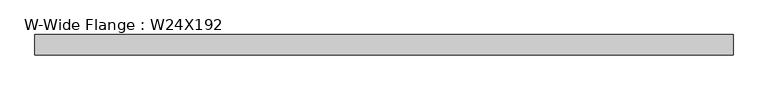
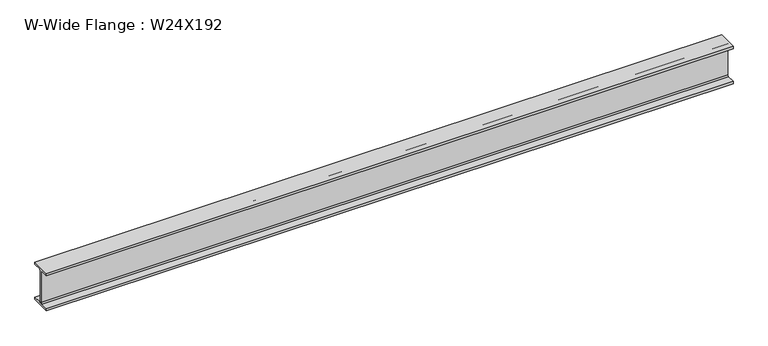
"""IFC4 building model written with IfcOpenShell, lengths in millimetres: beam geometry, W-Wide Flange : W24X192."""

import ifcopenshell
import ifcopenshell.guid

model = None  # the IFC model being written
_history = None  # IfcOwnerHistory: only IFC2X3 demands one
_inside = {}  # id of a spatial element -> (the spatial element, [elements in it])
_under = {}  # id of a project, library or spatial element -> (it, [spatial elements below it])
_declared = {}  # id of a project -> (the project, [libraries it declares])
_typed = {}  # id of a type object -> (the type object, [elements of that type])
_made_of = {}  # id of a material, layer set ... -> (it, [elements and type objects made of it])


def new_model(schema):
    """Start an empty IFC model of exactly this schema.

    Asked for "IFC4X3", IfcOpenShell would pick the latest addendum, in which some entities
    have other attributes; the version numbers below select the first issue.
    IFC2X3 requires an IfcOwnerHistory on every rooted entity: one is made here for all.
    """
    global model, _history
    if schema == "IFC4X3":
        model = ifcopenshell.file(schema_version=(4, 3, 0, 0))
    else:
        model = ifcopenshell.file(schema=schema)
    _inside.clear()
    _under.clear()
    _declared.clear()
    _typed.clear()
    _made_of.clear()
    _history = None
    if model.schema == "IFC2X3":
        org = make("IfcOrganization", Name="unknown")
        user = make(
            "IfcPersonAndOrganization",
            ThePerson=make("IfcPerson", FamilyName="unknown"),
            TheOrganization=org,
        )
        app = make(
            "IfcApplication",
            ApplicationDeveloper=org,
            Version="unknown",
            ApplicationFullName="unknown",
            ApplicationIdentifier="unknown",
        )
        _history = make(
            "IfcOwnerHistory",
            OwningUser=user,
            OwningApplication=app,
            ChangeAction="ADDED",
            CreationDate=0,
        )
    return model


def make(cls, **values):
    """One entity of the class cls with the attributes given. An attribute that is None is left unset."""
    return model.create_entity(
        cls, **{name: value for name, value in values.items() if value is not None}
    )


def rooted(cls, **values):
    """An entity with a GlobalId (a new one), such as an element, a storey or a relation."""
    return make(cls, GlobalId=ifcopenshell.guid.new(), OwnerHistory=_history, **values)


def si_unit(unit_type, name, prefix=None):
    """IfcSIUnit, for example si_unit("LENGTHUNIT", "METRE", prefix="MILLI")."""
    return make("IfcSIUnit", UnitType=unit_type, Prefix=prefix, Name=name)


def assignment(units):
    """IfcUnitAssignment: the units of a project."""
    return None if units is None else make("IfcUnitAssignment", Units=units)


def point(xyz):
    """IfcCartesianPoint."""
    return None if xyz is None else make("IfcCartesianPoint", Coordinates=xyz)


def direction(xyz):
    """IfcDirection."""
    return None if xyz is None else make("IfcDirection", DirectionRatios=xyz)


def frame(location, z_axis=None, x_axis=None):
    """IfcAxis2Placement3D, a coordinate frame: its origin and axes. An axis left out is left unset."""
    return make(
        "IfcAxis2Placement3D",
        Location=point(location),
        Axis=direction(z_axis),
        RefDirection=direction(x_axis),
    )


def frame_2d(location, x_axis=None):
    """IfcAxis2Placement2D, a coordinate frame in the plane: its origin and x axis."""
    return make(
        "IfcAxis2Placement2D", Location=point(location), RefDirection=direction(x_axis)
    )


def origin():
    """The frame at (0, 0, 0) with its axes left unset."""
    return frame((0.0, 0.0, 0.0))


def place(relative_to, where):
    """IfcLocalPlacement: puts the frame where relative to a parent placement (None: the world)."""
    return make(
        "IfcLocalPlacement", PlacementRelTo=relative_to, RelativePlacement=where
    )


def context(
    kind, dimensions, precision=None, world=None, true_north=None, identifier=None
):
    """IfcGeometricRepresentationContext, for example the 3D "Model" context."""
    return make(
        "IfcGeometricRepresentationContext",
        ContextIdentifier=identifier,
        ContextType=kind,
        CoordinateSpaceDimension=dimensions,
        Precision=precision,
        WorldCoordinateSystem=world,
        TrueNorth=true_north,
    )


def project(units=None, contexts=None):
    """IfcProject with its units and contexts."""
    return rooted(
        "IfcProject",
        Name="project",
        RepresentationContexts=contexts,
        UnitsInContext=assignment(units),
    )


def spatial(cls, under=None, at=None, **own):
    """A site, building, storey or space (cls), placed at a placement, below another one or the project."""
    s = rooted(cls, ObjectPlacement=at, **own)
    if under is not None:
        _under.setdefault(under.id(), (under, []))[1].append(s)
    return s


def polyline(points):
    """IfcPolyline through the points."""
    return make("IfcPolyline", Points=[point(p) for p in points])


def circle_curve(where, radius):
    """IfcCircle in the frame where."""
    return make("IfcCircle", Position=where, Radius=radius)


def trimmed(basis, trim1, trim2, sense, master):
    """IfcTrimmedCurve: the piece of a basis curve between two trims."""
    return make(
        "IfcTrimmedCurve",
        BasisCurve=basis,
        Trim1=trim1,
        Trim2=trim2,
        SenseAgreement=sense,
        MasterRepresentation=master,
    )


def segment(curve, same_sense, transition):
    """IfcCompositeCurveSegment."""
    return make(
        "IfcCompositeCurveSegment",
        Transition=transition,
        SameSense=same_sense,
        ParentCurve=curve,
    )


def composite_curve(segments, self_intersect=None):
    """IfcCompositeCurve: segments joined end to end."""
    return make("IfcCompositeCurve", Segments=segments, SelfIntersect=self_intersect)


def outline(outer, holes=None, kind="AREA"):
    """IfcArbitraryClosedProfileDef: a profile drawn as a closed curve; with holes, ...WithVoids."""
    if holes is None:
        return make("IfcArbitraryClosedProfileDef", ProfileType=kind, OuterCurve=outer)
    return make(
        "IfcArbitraryProfileDefWithVoids",
        ProfileType=kind,
        OuterCurve=outer,
        InnerCurves=holes,
    )


def extrude(swept, where, along, depth):
    """IfcExtrudedAreaSolid: the profile swept, set in the frame where, extruded along a direction by depth."""
    return make(
        "IfcExtrudedAreaSolid",
        SweptArea=swept,
        Position=where,
        ExtrudedDirection=direction(along),
        Depth=depth,
    )


def shape(context_of_items, identifier, shape_type, items):
    """IfcShapeRepresentation: the items that make up one representation, for example the "Body"."""
    return make(
        "IfcShapeRepresentation",
        ContextOfItems=context_of_items,
        RepresentationIdentifier=identifier,
        RepresentationType=shape_type,
        Items=items,
    )


def source(mapping_origin, context_of_items, identifier, shape_type, items):
    """IfcRepresentationMap: a shape defined once, which mapped items show again and again."""
    return make(
        "IfcRepresentationMap",
        MappingOrigin=mapping_origin,
        MappedRepresentation=shape(context_of_items, identifier, shape_type, items),
    )


def transform(
    local_origin,
    x_axis=None,
    y_axis=None,
    z_axis=None,
    scale=None,
    scale2=None,
    scale3=None,
    uniform=True,
):
    """IfcCartesianTransformationOperator3D, or its non-uniform kind. x_axis, y_axis, z_axis: its Axis1, 2, 3."""
    if uniform:
        return make(
            "IfcCartesianTransformationOperator3D",
            Axis1=direction(x_axis),
            Axis2=direction(y_axis),
            LocalOrigin=point(local_origin),
            Scale=scale,
            Axis3=direction(z_axis),
        )
    return make(
        "IfcCartesianTransformationOperator3DnonUniform",
        Axis1=direction(x_axis),
        Axis2=direction(y_axis),
        LocalOrigin=point(local_origin),
        Scale=scale,
        Axis3=direction(z_axis),
        Scale2=scale2,
        Scale3=scale3,
    )


def mapped(mapping_source, mapping_target):
    """IfcMappedItem: shows the shape of a source again, moved by a transform."""
    return make(
        "IfcMappedItem", MappingSource=mapping_source, MappingTarget=mapping_target
    )


def made_of(thing, what):
    """Note that an element or type object is made of a material, layer set ...; save() writes the relation."""
    if what is not None:
        _made_of.setdefault(what.id(), (what, []))[1].append(thing)
    return thing


def element(
    cls,
    number,
    at=None,
    inside=None,
    cuts=None,
    type_object=None,
    material=None,
    context=None,
    identifier="Body",
    shape_type=None,
    held_by="IfcProductDefinitionShape",
    body=None,
    shapes=None,
    **own,
):
    """One element of the class cls, such as IfcWall. Its Tag is "e" and its number.

    at: its placement. inside: the storey or other place that contains it. cuts: it is an
    opening in that element (IfcRelVoidsElement). A single representation is given by context,
    identifier, shape_type and body (its items); several are given by shapes. held_by: the class
    of the entity that holds the representations. save() writes the other relations.
    """
    e = rooted(cls, Tag="e%d" % number, ObjectPlacement=at, **own)
    if body is not None:
        shapes = [shape(context, identifier, shape_type, body)]
    if shapes is not None:
        e.Representation = make(held_by, Representations=shapes)
    if inside is not None:
        _inside.setdefault(inside.id(), (inside, []))[1].append(e)
    if cuts is not None:
        rooted(
            "IfcRelVoidsElement", RelatingBuildingElement=cuts, RelatedOpeningElement=e
        )
    if type_object is not None:
        _typed.setdefault(type_object.id(), (type_object, []))[1].append(e)
    return made_of(e, material)


def aggregate(whole, parts):
    """IfcRelAggregates: a whole, such as a stair, and the parts it consists of."""
    return rooted("IfcRelAggregates", RelatingObject=whole, RelatedObjects=parts)


def save(model, path):
    """Write the relations noted so far, then the file.

    IfcRelAggregates (storeys below a building ...), IfcRelContainedInSpatialStructure (elements
    in a storey), IfcRelDefinesByType, IfcRelAssociatesMaterial and IfcRelDeclares: one each for
    every whole, place, type object, material and project.
    """
    for whole, parts in _under.values():
        aggregate(whole, parts)
    for where, things in _inside.values():
        rooted(
            "IfcRelContainedInSpatialStructure",
            RelatedElements=things,
            RelatingStructure=where,
        )
    for kind, things in _typed.values():
        rooted("IfcRelDefinesByType", RelatedObjects=things, RelatingType=kind)
    for what, things in _made_of.values():
        rooted("IfcRelAssociatesMaterial", RelatedObjects=things, RelatingMaterial=what)
    for by, libraries in _declared.values():
        rooted("IfcRelDeclares", RelatingContext=by, RelatedDefinitions=libraries)
    model.write(path)


def w_wide_flange_w24x192_c7f0a0e3(model_context):
    return source(origin(), model_context, "Body", "SweptSolid", [
        extrude(outline(composite_curve([segment(polyline([(165.1, -286.766), (165.1, -323.85), (-165.1, -323.85), (-165.1, -286.766), (-33.528, -286.766)]), True, "CONTINUOUS"), segment(trimmed(circle_curve(frame_2d((-33.528, -263.525)), 23.241), [point((-33.528, -286.766))], [point((-10.287, -263.525))], True, "CARTESIAN"), True, "CONTINUOUS"), segment(polyline([(-10.287, -263.525), (-10.287, 263.525)]), True, "CONTINUOUS"), segment(trimmed(circle_curve(frame_2d((-33.528, 263.525)), 23.241), [point((-10.287, 263.525))], [point((-33.528, 286.766))], True, "CARTESIAN"), True, "CONTINUOUS"), segment(polyline([(-33.528, 286.766), (-165.1, 286.766), (-165.1, 323.85), (165.1, 323.85), (165.1, 286.766), (33.528, 286.766)]), True, "CONTINUOUS"), segment(trimmed(circle_curve(frame_2d((33.528, 263.525)), 23.241), [point((33.528, 286.766))], [point((10.287, 263.525))], True, "CARTESIAN"), True, "CONTINUOUS"), segment(polyline([(10.287, 263.525), (10.287, -263.525)]), True, "CONTINUOUS"), segment(trimmed(circle_curve(frame_2d((33.528, -263.525)), 23.241), [point((10.287, -263.525))], [point((33.528, -286.766))], True, "CARTESIAN"), True, "CONTINUOUS"), segment(polyline([(33.528, -286.766), (165.1, -286.766)]), True, "CONTINUOUS")], self_intersect=False)), frame((-5687.7471746, 0.0, 0.0), z_axis=(1.0, 0.0, 0.0), x_axis=(0.0, 1.0, 0.0)), (0.0, 0.0, 1.0), 11311.4216116),
    ])


if __name__ == "__main__":
    model = new_model("IFC4")
    model_context = context("Model", 3, world=origin())
    ifc_project = project(units=[si_unit("LENGTHUNIT", "METRE", prefix="MILLI")], contexts=[model_context])
    site = spatial("IfcSite", under=ifc_project)
    building = spatial("IfcBuilding", under=site)
    placement = place(None, origin())
    w_wide_flange_w24x192_shape = w_wide_flange_w24x192_c7f0a0e3(model_context)
    element("IfcBeam", 1, ObjectType="W-Wide Flange : W24X192", at=placement, inside=building, context=model_context, shape_type="MappedRepresentation", body=[
        mapped(w_wide_flange_w24x192_shape, transform((0.0, 0.0, 0.0), x_axis=(1.0, 0.0, 0.0), y_axis=(0.0, 1.0, 0.0), z_axis=(0.0, 0.0, 1.0))),
    ])
    save(model, "model.ifc")
